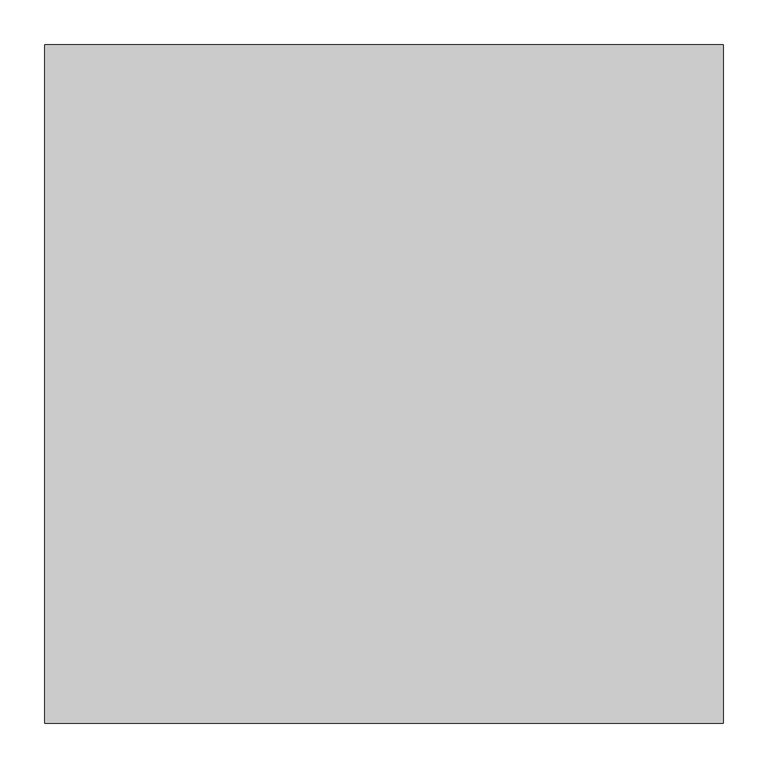
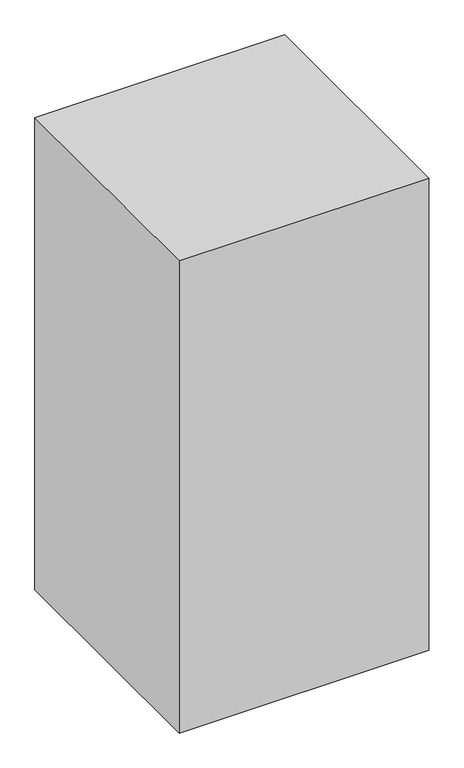
"""IFC4 building model written with IfcOpenShell, lengths in millimetres: proxy geometry."""

import ifcopenshell
import ifcopenshell.guid

model = None  # the IFC model being written
_history = None  # IfcOwnerHistory: only IFC2X3 demands one
_inside = {}  # id of a spatial element -> (the spatial element, [elements in it])
_under = {}  # id of a project, library or spatial element -> (it, [spatial elements below it])
_declared = {}  # id of a project -> (the project, [libraries it declares])
_typed = {}  # id of a type object -> (the type object, [elements of that type])
_made_of = {}  # id of a material, layer set ... -> (it, [elements and type objects made of it])


def new_model(schema):
    """Start an empty IFC model of exactly this schema.

    Asked for "IFC4X3", IfcOpenShell would pick the latest addendum, in which some entities
    have other attributes; the version numbers below select the first issue.
    IFC2X3 requires an IfcOwnerHistory on every rooted entity: one is made here for all.
    """
    global model, _history
    if schema == "IFC4X3":
        model = ifcopenshell.file(schema_version=(4, 3, 0, 0))
    else:
        model = ifcopenshell.file(schema=schema)
    _inside.clear()
    _under.clear()
    _declared.clear()
    _typed.clear()
    _made_of.clear()
    _history = None
    if model.schema == "IFC2X3":
        org = make("IfcOrganization", Name="unknown")
        user = make(
            "IfcPersonAndOrganization",
            ThePerson=make("IfcPerson", FamilyName="unknown"),
            TheOrganization=org,
        )
        app = make(
            "IfcApplication",
            ApplicationDeveloper=org,
            Version="unknown",
            ApplicationFullName="unknown",
            ApplicationIdentifier="unknown",
        )
        _history = make(
            "IfcOwnerHistory",
            OwningUser=user,
            OwningApplication=app,
            ChangeAction="ADDED",
            CreationDate=0,
        )
    return model


def make(cls, **values):
    """One entity of the class cls with the attributes given. An attribute that is None is left unset."""
    return model.create_entity(
        cls, **{name: value for name, value in values.items() if value is not None}
    )


def rooted(cls, **values):
    """An entity with a GlobalId (a new one), such as an element, a storey or a relation."""
    return make(cls, GlobalId=ifcopenshell.guid.new(), OwnerHistory=_history, **values)


def si_unit(unit_type, name, prefix=None):
    """IfcSIUnit, for example si_unit("LENGTHUNIT", "METRE", prefix="MILLI")."""
    return make("IfcSIUnit", UnitType=unit_type, Prefix=prefix, Name=name)


def assignment(units):
    """IfcUnitAssignment: the units of a project."""
    return None if units is None else make("IfcUnitAssignment", Units=units)


def point(xyz):
    """IfcCartesianPoint."""
    return None if xyz is None else make("IfcCartesianPoint", Coordinates=xyz)


def direction(xyz):
    """IfcDirection."""
    return None if xyz is None else make("IfcDirection", DirectionRatios=xyz)


def frame(location, z_axis=None, x_axis=None):
    """IfcAxis2Placement3D, a coordinate frame: its origin and axes. An axis left out is left unset."""
    return make(
        "IfcAxis2Placement3D",
        Location=point(location),
        Axis=direction(z_axis),
        RefDirection=direction(x_axis),
    )


def origin():
    """The frame at (0, 0, 0) with its axes left unset."""
    return frame((0.0, 0.0, 0.0))


def origin_with_axes():
    """The frame at (0, 0, 0) with the z axis (0, 0, 1) and the x axis (1, 0, 0) written out."""
    return frame((0.0, 0.0, 0.0), z_axis=(0.0, 0.0, 1.0), x_axis=(1.0, 0.0, 0.0))


def place(relative_to, where):
    """IfcLocalPlacement: puts the frame where relative to a parent placement (None: the world)."""
    return make(
        "IfcLocalPlacement", PlacementRelTo=relative_to, RelativePlacement=where
    )


def context(
    kind, dimensions, precision=None, world=None, true_north=None, identifier=None
):
    """IfcGeometricRepresentationContext, for example the 3D "Model" context."""
    return make(
        "IfcGeometricRepresentationContext",
        ContextIdentifier=identifier,
        ContextType=kind,
        CoordinateSpaceDimension=dimensions,
        Precision=precision,
        WorldCoordinateSystem=world,
        TrueNorth=true_north,
    )


def project(units=None, contexts=None):
    """IfcProject with its units and contexts."""
    return rooted(
        "IfcProject",
        Name="project",
        RepresentationContexts=contexts,
        UnitsInContext=assignment(units),
    )


def spatial(cls, under=None, at=None, **own):
    """A site, building, storey or space (cls), placed at a placement, below another one or the project."""
    s = rooted(cls, ObjectPlacement=at, **own)
    if under is not None:
        _under.setdefault(under.id(), (under, []))[1].append(s)
    return s


def polyline(points):
    """IfcPolyline through the points."""
    return make("IfcPolyline", Points=[point(p) for p in points])


def outline(outer, holes=None, kind="AREA"):
    """IfcArbitraryClosedProfileDef: a profile drawn as a closed curve; with holes, ...WithVoids."""
    if holes is None:
        return make("IfcArbitraryClosedProfileDef", ProfileType=kind, OuterCurve=outer)
    return make(
        "IfcArbitraryProfileDefWithVoids",
        ProfileType=kind,
        OuterCurve=outer,
        InnerCurves=holes,
    )


def extrude(swept, where, along, depth):
    """IfcExtrudedAreaSolid: the profile swept, set in the frame where, extruded along a direction by depth."""
    return make(
        "IfcExtrudedAreaSolid",
        SweptArea=swept,
        Position=where,
        ExtrudedDirection=direction(along),
        Depth=depth,
    )


def shape(context_of_items, identifier, shape_type, items):
    """IfcShapeRepresentation: the items that make up one representation, for example the "Body"."""
    return make(
        "IfcShapeRepresentation",
        ContextOfItems=context_of_items,
        RepresentationIdentifier=identifier,
        RepresentationType=shape_type,
        Items=items,
    )


def source(mapping_origin, context_of_items, identifier, shape_type, items):
    """IfcRepresentationMap: a shape defined once, which mapped items show again and again."""
    return make(
        "IfcRepresentationMap",
        MappingOrigin=mapping_origin,
        MappedRepresentation=shape(context_of_items, identifier, shape_type, items),
    )


def transform(
    local_origin,
    x_axis=None,
    y_axis=None,
    z_axis=None,
    scale=None,
    scale2=None,
    scale3=None,
    uniform=True,
):
    """IfcCartesianTransformationOperator3D, or its non-uniform kind. x_axis, y_axis, z_axis: its Axis1, 2, 3."""
    if uniform:
        return make(
            "IfcCartesianTransformationOperator3D",
            Axis1=direction(x_axis),
            Axis2=direction(y_axis),
            LocalOrigin=point(local_origin),
            Scale=scale,
            Axis3=direction(z_axis),
        )
    return make(
        "IfcCartesianTransformationOperator3DnonUniform",
        Axis1=direction(x_axis),
        Axis2=direction(y_axis),
        LocalOrigin=point(local_origin),
        Scale=scale,
        Axis3=direction(z_axis),
        Scale2=scale2,
        Scale3=scale3,
    )


def mapped(mapping_source, mapping_target):
    """IfcMappedItem: shows the shape of a source again, moved by a transform."""
    return make(
        "IfcMappedItem", MappingSource=mapping_source, MappingTarget=mapping_target
    )


def made_of(thing, what):
    """Note that an element or type object is made of a material, layer set ...; save() writes the relation."""
    if what is not None:
        _made_of.setdefault(what.id(), (what, []))[1].append(thing)
    return thing


def element(
    cls,
    number,
    at=None,
    inside=None,
    cuts=None,
    type_object=None,
    material=None,
    context=None,
    identifier="Body",
    shape_type=None,
    held_by="IfcProductDefinitionShape",
    body=None,
    shapes=None,
    **own,
):
    """One element of the class cls, such as IfcWall. Its Tag is "e" and its number.

    at: its placement. inside: the storey or other place that contains it. cuts: it is an
    opening in that element (IfcRelVoidsElement). A single representation is given by context,
    identifier, shape_type and body (its items); several are given by shapes. held_by: the class
    of the entity that holds the representations. save() writes the other relations.
    """
    e = rooted(cls, Tag="e%d" % number, ObjectPlacement=at, **own)
    if body is not None:
        shapes = [shape(context, identifier, shape_type, body)]
    if shapes is not None:
        e.Representation = make(held_by, Representations=shapes)
    if inside is not None:
        _inside.setdefault(inside.id(), (inside, []))[1].append(e)
    if cuts is not None:
        rooted(
            "IfcRelVoidsElement", RelatingBuildingElement=cuts, RelatedOpeningElement=e
        )
    if type_object is not None:
        _typed.setdefault(type_object.id(), (type_object, []))[1].append(e)
    return made_of(e, material)


def aggregate(whole, parts):
    """IfcRelAggregates: a whole, such as a stair, and the parts it consists of."""
    return rooted("IfcRelAggregates", RelatingObject=whole, RelatedObjects=parts)


def save(model, path):
    """Write the relations noted so far, then the file.

    IfcRelAggregates (storeys below a building ...), IfcRelContainedInSpatialStructure (elements
    in a storey), IfcRelDefinesByType, IfcRelAssociatesMaterial and IfcRelDeclares: one each for
    every whole, place, type object, material and project.
    """
    for whole, parts in _under.values():
        aggregate(whole, parts)
    for where, things in _inside.values():
        rooted(
            "IfcRelContainedInSpatialStructure",
            RelatedElements=things,
            RelatingStructure=where,
        )
    for kind, things in _typed.values():
        rooted("IfcRelDefinesByType", RelatedObjects=things, RelatingType=kind)
    for what, things in _made_of.values():
        rooted("IfcRelAssociatesMaterial", RelatedObjects=things, RelatingMaterial=what)
    for by, libraries in _declared.values():
        rooted("IfcRelDeclares", RelatingContext=by, RelatedDefinitions=libraries)
    model.write(path)


def specialty_equipment_1800baec(model_context):
    return source(origin(), model_context, "Body", "SweptSolid", [
        extrude(outline(polyline([(381.0, -381.0), (-381.0, -381.0), (-381.0, 381.0), (381.0, 381.0), (381.0, -381.0)])), origin_with_axes(), (0.0, 0.0, 1.0), 1524.0),
    ])


if __name__ == "__main__":
    model = new_model("IFC4")
    model_context = context("Model", 3, world=origin())
    ifc_project = project(units=[si_unit("LENGTHUNIT", "METRE", prefix="MILLI")], contexts=[model_context])
    site = spatial("IfcSite", under=ifc_project)
    building = spatial("IfcBuilding", under=site)
    placement = place(None, origin())
    specialty_equipment_shape = specialty_equipment_1800baec(model_context)
    element("IfcBuildingElementProxy", 1, Name="Specialty Equipment", at=placement, inside=building, context=model_context, shape_type="MappedRepresentation", body=[
        mapped(specialty_equipment_shape, transform((0.0, 0.0, 0.0), x_axis=(1.0, 0.0, 0.0), y_axis=(0.0, 1.0, 0.0), z_axis=(0.0, 0.0, 1.0))),
    ])
    save(model, "model.ifc")
